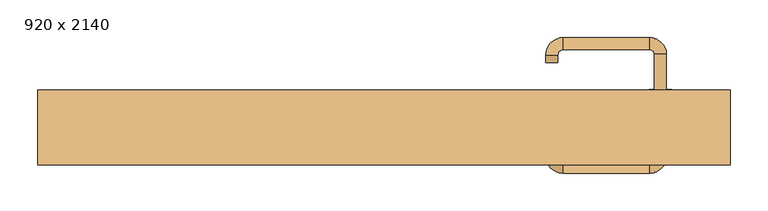
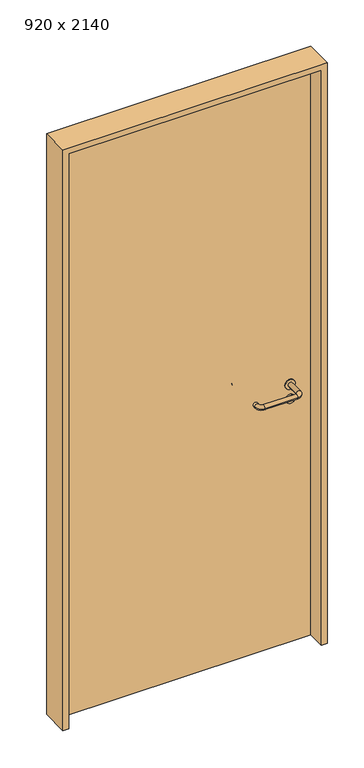
"""IFC4 building model written with IfcOpenShell, lengths in millimetres: door geometry, 920 x 2140."""

from ifc_helpers import new_model, si_unit, point, frame, frame_2d, origin, origin_with_axes, place, context, project, spatial, polyline, circle_curve, ellipse_curve, trimmed, segment, composite_curve, outline, extrude, source, transform, mapped, element, save
from ifc_brep_helpers import plane_surface, cylinder_surface, revolved_surface, advanced_brep


def door_920_x_2140_7f05b5a6(model_context):
    return source(origin(), model_context, "Body", "SolidModel", [
        extrude(outline(composite_curve([segment(trimmed(circle_curve(frame_2d((897.3605726, 367.0)), 15.0), [point((897.3605726, 382.0))], [point((897.3605726, 352.0))], False, "CARTESIAN"), True, "CONTINUOUS"), segment(trimmed(circle_curve(frame_2d((897.3605726, 367.0)), 15.0), [point((897.3605726, 352.0))], [point((897.3605726, 382.0))], False, "CARTESIAN"), True, "CONTINUOUS")], self_intersect=False), holes=[composite_curve([segment(trimmed(circle_curve(frame_2d((892.5833211, 366.9398032)), 2.0), [point((892.5833211, 368.9398032))], [point((892.5833211, 364.9398032))], True, "CARTESIAN"), True, "CONTINUOUS"), segment(polyline([(892.5833211, 364.9398032), (902.5833211, 364.9398032)]), True, "CONTINUOUS"), segment(trimmed(circle_curve(frame_2d((902.5833211, 366.9398032)), 2.0), [point((902.5833211, 364.9398032))], [point((902.5833211, 368.9398032))], True, "CARTESIAN"), True, "CONTINUOUS"), segment(polyline([(902.5833211, 368.9398032), (892.5833211, 368.9398032)]), True, "CONTINUOUS")], self_intersect=False)]), frame((0.0, 8.65, 0.0), z_axis=(0.0, 1.0, 0.0), x_axis=(0.0, 0.0, 1.0)), (0.0, 0.0, 1.0), 6.35),
        extrude(outline(composite_curve([segment(trimmed(circle_curve(frame_2d((950.0, 367.0)), 17.526), [point((950.0, 384.526))], [point((950.0, 349.474))], False, "CARTESIAN"), True, "CONTINUOUS"), segment(trimmed(circle_curve(frame_2d((950.0, 367.0)), 17.526), [point((950.0, 349.474))], [point((950.0, 384.526))], False, "CARTESIAN"), True, "CONTINUOUS")], self_intersect=False)), frame((0.0, 11.825, 0.0), z_axis=(0.0, 1.0, 0.0), x_axis=(0.0, 0.0, 1.0)), (0.0, 0.0, 1.0), 3.175),
        advanced_brep(
        [(375.0, 15.0, 950.0), (359.0, 15.0, 950.0), (359.0, -38.0, 950.0), (375.0, -38.0, 950.0), (352.8578644, -44.1421356, 950.0), (352.8578644, -60.1421356, 950.0), (237.8578644, -44.1421356, 950.0), (237.8578644, -60.1421356, 950.0), (231.008622, -37.2928932, 950.0), (215.008622, -37.2928932, 950.0), (215.008622, -27.2928932, 950.0), (231.008622, -27.2928932, 950.0)],
        [
            (0, 1, circle_curve(frame((367.0, 15.0, 950.0), z_axis=(0.0, 1.0, 0.0), x_axis=(-1.0, 0.0, 0.0)), 8.0)),
            (1, 0, circle_curve(frame((367.0, 15.0, 950.0), z_axis=(0.0, 1.0, 0.0), x_axis=(-1.0, 0.0, 0.0)), 8.0)),
            (1, 2),
            (2, 3, circle_curve(frame((367.0, -38.0, 950.0), z_axis=(0.0, 1.0, 0.0), x_axis=(-1.0, 0.0, 0.0)), 8.0)),
            (3, 0),
            (3, 2, circle_curve(frame((367.0, -38.0, 950.0), z_axis=(0.0, 1.0, 0.0), x_axis=(-1.0, 0.0, 0.0)), 8.0)),
            (4, 5, circle_curve(frame((352.8578644, -52.1421356, 950.0), z_axis=(1.0, 0.0, 0.0), x_axis=(0.0, 1.0, 0.0)), 8.0)),
            (5, 3, circle_curve(frame((352.8578644, -38.0, 950.0), z_axis=(0.0, 0.0, 1.0), x_axis=(1.0, 0.0, 0.0)), 22.1421356)),
            (2, 4, circle_curve(frame((352.8578644, -38.0, 950.0), z_axis=(0.0, 0.0, -1.0), x_axis=(1.0, 0.0, 0.0)), 6.1421356)),
            (5, 4, circle_curve(frame((352.8578644, -52.1421356, 950.0), z_axis=(1.0, 0.0, 0.0), x_axis=(0.0, 1.0, 0.0)), 8.0)),
            (4, 6),
            (6, 7, circle_curve(frame((237.8578644, -52.1421356, 950.0), z_axis=(1.0, 0.0, 0.0), x_axis=(0.0, 1.0, 0.0)), 8.0)),
            (7, 5),
            (7, 6, circle_curve(frame((237.8578644, -52.1421356, 950.0), z_axis=(1.0, 0.0, 0.0), x_axis=(0.0, 1.0, 0.0)), 8.0)),
            (8, 9, circle_curve(frame((223.008622, -37.2928932, 950.0), z_axis=(0.0, -1.0, 0.0), x_axis=(1.0, 0.0, 0.0)), 8.0)),
            (9, 7, circle_curve(frame((237.8578644, -37.2928932, 950.0), z_axis=(0.0, 0.0, 1.0), x_axis=(0.0, -1.0, 0.0)), 22.8492424)),
            (6, 8, circle_curve(frame((237.8578644, -37.2928932, 950.0), z_axis=(0.0, 0.0, -1.0), x_axis=(0.0, -1.0, 0.0)), 6.8492424)),
            (9, 8, circle_curve(frame((223.008622, -37.2928932, 950.0), z_axis=(0.0, -1.0, 0.0), x_axis=(1.0, 0.0, 0.0)), 8.0)),
            (10, 11, circle_curve(frame((223.008622, -27.2928932, 950.0), z_axis=(0.0, 1.0, 0.0), x_axis=(1.0, 0.0, 0.0)), 8.0)),
            (11, 10, circle_curve(frame((223.008622, -27.2928932, 950.0), z_axis=(0.0, 1.0, 0.0), x_axis=(1.0, 0.0, 0.0)), 8.0)),
            (8, 11),
            (10, 9),
        ],
        [
            plane_surface(frame((367.0, 15.0, 0.0), z_axis=(0.0, 1.0, 0.0), x_axis=(0.0, 0.0, 1.0))),
            cylinder_surface(frame((367.0, 15.0, 950.0), z_axis=(0.0, 1.0, 0.0), x_axis=(-1.0, 0.0, 0.0)), 8.0),
            revolved_surface(trimmed(ellipse_curve(frame((367.0, -38.0, 950.0), z_axis=(0.0, -1.0, 0.0), x_axis=(-1.0, 0.0, 0.0)), 8.0, 8.0), [point((375.0, -38.0, 950.0))], [point((359.0, -38.0, 950.0))], True, "CARTESIAN"), (352.8578644, -38.0, 0.0), (0.0, 0.0, 1.0)),
            revolved_surface(trimmed(ellipse_curve(frame((367.0, -38.0, 950.0), z_axis=(0.0, -1.0, 0.0), x_axis=(-1.0, 0.0, 0.0)), 8.0, 8.0), [point((359.0, -38.0, 950.0))], [point((375.0, -38.0, 950.0))], True, "CARTESIAN"), (352.8578644, -38.0, 0.0), (0.0, 0.0, 1.0)),
            cylinder_surface(frame((352.8578644, -52.1421356, 950.0), z_axis=(1.0, 0.0, 0.0), x_axis=(0.0, 1.0, 0.0)), 8.0),
            revolved_surface(trimmed(ellipse_curve(frame((237.8578644, -52.1421356, 950.0), z_axis=(-1.0, 0.0, 0.0), x_axis=(0.0, 1.0, 0.0)), 8.0, 8.0), [point((237.8578644, -60.1421356, 950.0))], [point((237.8578644, -44.1421356, 950.0))], True, "CARTESIAN"), (237.8578644, -37.2928932, 0.0), (0.0, 0.0, 1.0)),
            revolved_surface(trimmed(ellipse_curve(frame((237.8578644, -52.1421356, 950.0), z_axis=(-1.0, 0.0, 0.0), x_axis=(0.0, 1.0, 0.0)), 8.0, 8.0), [point((237.8578644, -44.1421356, 950.0))], [point((237.8578644, -60.1421356, 950.0))], True, "CARTESIAN"), (237.8578644, -37.2928932, 0.0), (0.0, 0.0, 1.0)),
            plane_surface(frame((223.008622, -27.2928932, 0.0), z_axis=(0.0, 1.0, 0.0), x_axis=(0.0, 0.0, 1.0))),
            cylinder_surface(frame((223.008622, -37.2928932, 950.0), z_axis=(0.0, -1.0, 0.0), x_axis=(1.0, 0.0, 0.0)), 8.0),
        ],
        [
            (0, [[1, 2]]),
            (1, [[3, 4, 5, -2]]),
            (1, [[-5, 6, -3, -1]]),
            (2, [[7, 8, -4, 9]]),
            (3, [[10, -9, -6, -8]]),
            (4, [[11, 12, 13, -7]]),
            (4, [[-13, 14, -11, -10]]),
            (5, [[15, 16, -12, 17]]),
            (6, [[18, -17, -14, -16]]),
            (7, [[19, 20]]),
            (8, [[21, -19, 22, -15]]),
            (8, [[-22, -20, -21, -18]]),
        ],
    ),
        extrude(outline(composite_curve([segment(trimmed(circle_curve(frame_2d((0.0, -15.0)), 15.0), [point((0.0, -30.0))], [point((0.0, 0.0))], False, "CARTESIAN"), True, "CONTINUOUS"), segment(trimmed(circle_curve(frame_2d((0.0, -15.0)), 15.0), [point((0.0, 0.0))], [point((0.0, -30.0))], False, "CARTESIAN"), True, "CONTINUOUS")], self_intersect=False), holes=[composite_curve([segment(trimmed(circle_curve(frame_2d((4.7772515, -14.9398032)), 2.0), [point((4.7772515, -16.9398032))], [point((4.7772515, -12.9398032))], True, "CARTESIAN"), True, "CONTINUOUS"), segment(polyline([(4.7772515, -12.9398032), (-5.2227485, -12.9398032)]), True, "CONTINUOUS"), segment(trimmed(circle_curve(frame_2d((-5.2227485, -14.9398032)), 2.0), [point((-5.2227485, -12.9398032))], [point((-5.2227485, -16.9398032))], True, "CARTESIAN"), True, "CONTINUOUS"), segment(polyline([(-5.2227485, -16.9398032), (4.7772515, -16.9398032)]), True, "CONTINUOUS")], self_intersect=False)]), frame((352.0, 45.0, 897.3605726), z_axis=(1.8870575173328306e-12, 1.0, 0.0), x_axis=(0.0, 0.0, -1.0)), (0.0, 0.0, 1.0), 6.35),
        extrude(outline(composite_curve([segment(trimmed(circle_curve(frame_2d((0.0, -17.526)), 17.526), [point((0.0, -35.052))], [point((0.0, 0.0))], False, "CARTESIAN"), True, "CONTINUOUS"), segment(trimmed(circle_curve(frame_2d((0.0, -17.526)), 17.526), [point((0.0, 0.0))], [point((0.0, -35.052))], False, "CARTESIAN"), True, "CONTINUOUS")], self_intersect=False)), frame((349.474, 45.0, 950.0), z_axis=(1.8870575173328306e-12, 1.0, 0.0), x_axis=(0.0, 0.0, -1.0)), (0.0, 0.0, 1.0), 3.175),
        advanced_brep(
        [(375.0, 45.0, 950.0), (359.0, 45.0, 950.0), (375.0, 98.0, 950.0), (359.0, 98.0, 950.0), (352.8578644, 104.1421356, 950.0), (352.8578644, 120.1421356, 950.0), (237.8578644, 120.1421356, 950.0), (237.8578644, 104.1421356, 950.0), (231.008622, 97.2928932, 950.0), (215.008622, 97.2928932, 950.0), (215.008622, 87.2928932, 950.0), (231.008622, 87.2928932, 950.0)],
        [
            (0, 1, circle_curve(frame((367.0, 45.0, 950.0), z_axis=(-1.888672253512351e-12, -1.0, 0.0), x_axis=(-1.0, 1.888672253512351e-12, 0.0)), 8.0)),
            (1, 0, circle_curve(frame((367.0, 45.0, 950.0), z_axis=(-1.888672253512351e-12, -1.0, 0.0), x_axis=(-1.0, 1.888672253512351e-12, 0.0)), 8.0)),
            (0, 2),
            (2, 3, circle_curve(frame((367.0, 98.0, 950.0), z_axis=(-1.888672253512351e-12, -1.0, 0.0), x_axis=(-1.0, 1.888672253512351e-12, 0.0)), 8.0)),
            (3, 1),
            (3, 2, circle_curve(frame((367.0, 98.0, 950.0), z_axis=(-1.888672253512351e-12, -1.0, 0.0), x_axis=(-1.0, 1.888672253512351e-12, 0.0)), 8.0)),
            (4, 3, circle_curve(frame((352.8578644, 98.0, 950.0), z_axis=(0.0, 0.0, -1.0), x_axis=(1.0, -1.880717803715015e-12, 0.0)), 6.1421356)),
            (2, 5, circle_curve(frame((352.8578644, 98.0, 950.0), z_axis=(0.0, 0.0, 1.0), x_axis=(1.0, -1.880717803715015e-12, 0.0)), 22.1421356)),
            (5, 4, circle_curve(frame((352.8578644, 112.1421356, 950.0), z_axis=(1.0, -1.913702061528922e-12, 0.0), x_axis=(-1.913702061528922e-12, -1.0, 0.0)), 8.0)),
            (4, 5, circle_curve(frame((352.8578644, 112.1421356, 950.0), z_axis=(1.0, -1.913702061528922e-12, 0.0), x_axis=(-1.913702061528922e-12, -1.0, 0.0)), 8.0)),
            (5, 6),
            (6, 7, circle_curve(frame((237.8578644, 112.1421356, 950.0), z_axis=(1.0, -1.913719828541269e-12, 0.0), x_axis=(-1.913719828541269e-12, -1.0, 0.0)), 8.0)),
            (7, 4),
            (7, 6, circle_curve(frame((237.8578644, 112.1421356, 950.0), z_axis=(1.0, -1.913719828541269e-12, 0.0), x_axis=(-1.913719828541269e-12, -1.0, 0.0)), 8.0)),
            (8, 7, circle_curve(frame((237.8578644, 97.2928932, 950.0), z_axis=(0.0, 0.0, -1.0), x_axis=(1.9120873253494017e-12, 1.0, 0.0)), 6.8492424)),
            (6, 9, circle_curve(frame((237.8578644, 97.2928932, 950.0), z_axis=(0.0, 0.0, 1.0), x_axis=(1.9120873253494017e-12, 1.0, 0.0)), 22.8492424)),
            (9, 8, circle_curve(frame((223.008622, 97.2928932, 950.0), z_axis=(1.890448610351751e-12, 1.0, 0.0), x_axis=(1.0, -1.890448610351751e-12, 0.0)), 8.0)),
            (8, 9, circle_curve(frame((223.008622, 97.2928932, 950.0), z_axis=(1.8888942981172756e-12, 1.0, 0.0), x_axis=(1.0, -1.8888942981172756e-12, 0.0)), 8.0)),
            (10, 11, circle_curve(frame((223.008622, 87.2928932, 950.0), z_axis=(-1.8903642334018795e-12, -1.0, 0.0), x_axis=(1.0, -1.8903642334018795e-12, 0.0)), 8.0)),
            (11, 10, circle_curve(frame((223.008622, 87.2928932, 950.0), z_axis=(-1.8903642334018795e-12, -1.0, 0.0), x_axis=(1.0, -1.8903642334018795e-12, 0.0)), 8.0)),
            (9, 10),
            (11, 8),
        ],
        [
            plane_surface(frame((367.0, 45.0, 0.0), z_axis=(-1.8870575173328306e-12, -1.0, 0.0), x_axis=(0.0, 0.0, 1.0))),
            cylinder_surface(frame((367.0, 45.0, 950.0), z_axis=(-1.888672253512351e-12, -1.0, 0.0), x_axis=(-1.0, 1.888672253512351e-12, 0.0)), 8.0),
            revolved_surface(trimmed(ellipse_curve(frame((367.0, 98.0, 950.0), z_axis=(-1.8823325398945356e-12, -1.0, 0.0), x_axis=(-1.0, 1.8823325398945356e-12, 0.0)), 8.0, 8.0), [point((375.0, 98.0, 950.0))], [point((359.0, 98.0, 950.0))], True, "CARTESIAN"), (352.8578644, 98.0, 0.0), (0.0, 0.0, 1.0)),
            revolved_surface(trimmed(ellipse_curve(frame((367.0, 98.0, 950.0), z_axis=(-1.8823325398945356e-12, -1.0, 0.0), x_axis=(-1.0, 1.8823325398945356e-12, 0.0)), 8.0, 8.0), [point((359.0, 98.0, 950.0))], [point((375.0, 98.0, 950.0))], True, "CARTESIAN"), (352.8578644, 98.0, 0.0), (0.0, 0.0, 1.0)),
            cylinder_surface(frame((352.8578644, 112.1421356, 950.0), z_axis=(1.0, -1.913719828541269e-12, 0.0), x_axis=(-1.913719828541269e-12, -1.0, 0.0)), 8.0),
            revolved_surface(trimmed(ellipse_curve(frame((237.8578644, 112.1421356, 950.0), z_axis=(1.0, -1.913702061528922e-12, 0.0), x_axis=(-1.913702061528922e-12, -1.0, 0.0)), 8.0, 8.0), [point((237.8578644, 120.1421356, 950.0))], [point((237.8578644, 104.1421356, 950.0))], True, "CARTESIAN"), (237.8578644, 97.2928932, 0.0), (0.0, 0.0, 1.0)),
            revolved_surface(trimmed(ellipse_curve(frame((237.8578644, 112.1421356, 950.0), z_axis=(1.0, -1.913702061528922e-12, 0.0), x_axis=(-1.913702061528922e-12, -1.0, 0.0)), 8.0, 8.0), [point((237.8578644, 104.1421356, 950.0))], [point((237.8578644, 120.1421356, 950.0))], True, "CARTESIAN"), (237.8578644, 97.2928932, 0.0), (0.0, 0.0, 1.0)),
            plane_surface(frame((223.008622, 87.2928932, 0.0), z_axis=(-1.8887494972223595e-12, -1.0, 0.0), x_axis=(0.0, 0.0, 1.0))),
            cylinder_surface(frame((223.008622, 97.2928932, 950.0), z_axis=(1.8903642334018795e-12, 1.0, 0.0), x_axis=(1.0, -1.8903642334018795e-12, 0.0)), 8.0),
        ],
        [
            (0, [[1, 2]]),
            (1, [[-1, 3, 4, 5]]),
            (1, [[-2, -5, 6, -3]]),
            (2, [[7, -4, 8, 9]]),
            (3, [[-8, -6, -7, 10]]),
            (4, [[-9, 11, 12, 13]]),
            (4, [[-10, -13, 14, -11]]),
            (5, [[15, -12, 16, 17]]),
            (6, [[-16, -14, -15, 18]]),
            (7, [[19, 20]]),
            (8, [[-17, 21, -20, 22]]),
            (8, [[-18, -22, -19, -21]]),
        ],
    ),
        extrude(outline(polyline([(2120.0, 440.0), (0.0, 440.0), (0.0, 460.0), (2140.0, 460.0), (2140.0, -460.0), (0.0, -460.0), (0.0, -440.0), (2120.0, -440.0), (2120.0, 440.0)])), frame((0.0, -49.0, 0.0), z_axis=(0.0, 1.0, 0.0), x_axis=(0.0, 0.0, 1.0)), (0.0, 0.0, 1.0), 99.0),
        extrude(outline(polyline([(-440.0, 45.0), (440.0, 45.0), (440.0, 15.0), (-440.0, 15.0), (-440.0, 45.0)])), origin_with_axes(), (0.0, 0.0, 1.0), 2120.0),
    ])


if __name__ == "__main__":
    model = new_model("IFC4")
    model_context = context("Model", 3, world=origin())
    ifc_project = project(units=[si_unit("LENGTHUNIT", "METRE", prefix="MILLI")], contexts=[model_context])
    site = spatial("IfcSite", under=ifc_project)
    building = spatial("IfcBuilding", under=site)
    placement = place(None, origin())
    door_920_x_2140_shape = door_920_x_2140_7f05b5a6(model_context)
    element("IfcDoor", 1, ObjectType="920 x 2140", at=placement, inside=building, context=model_context, shape_type="MappedRepresentation", body=[
        mapped(door_920_x_2140_shape, transform((0.0, 0.0, 0.0), x_axis=(1.0, 0.0, 0.0), y_axis=(0.0, 1.0, 0.0), z_axis=(0.0, 0.0, 1.0))),
    ])
    save(model, "model.ifc")
